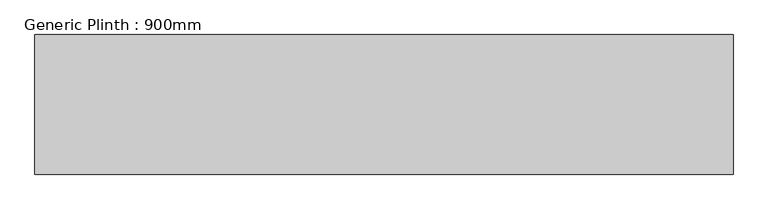
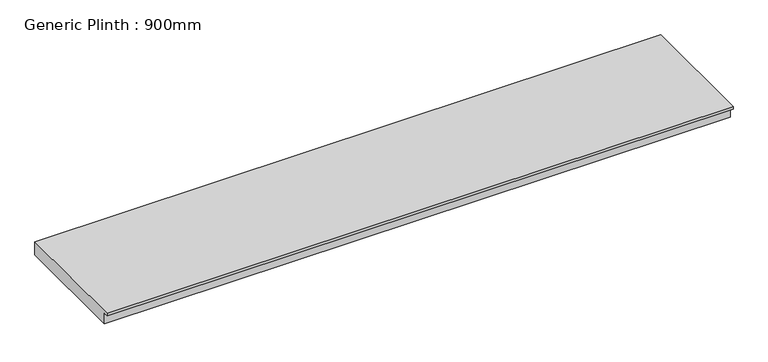
"""IFC4 building model written with IfcOpenShell, lengths in millimetres: furniture geometry, Generic Plinth : 900mm."""

from ifc_helpers import new_model, si_unit, frame, origin, place, context, project, spatial, polyline, outline, extrude, source, transform, mapped, element, save


def generic_plinth_900mm_7c939e74(model_context):
    return source(origin(), model_context, "Body", "SweptSolid", [
        extrude(outline(polyline([(-900.0, 81.0), (-900.0, 100.0), (0.0, 100.0), (0.0, 0.0), (-865.0, 0.0), (-865.0, 81.0), (-900.0, 81.0)])), frame((-2231.2628375, 0.0, 0.0), z_axis=(1.0, 0.0, 0.0), x_axis=(0.0, 1.0, 0.0)), (0.0, 0.0, 1.0), 4500.0010847),
    ])


if __name__ == "__main__":
    model = new_model("IFC4")
    model_context = context("Model", 3, world=origin())
    ifc_project = project(units=[si_unit("LENGTHUNIT", "METRE", prefix="MILLI")], contexts=[model_context])
    site = spatial("IfcSite", under=ifc_project)
    building = spatial("IfcBuilding", under=site)
    placement = place(None, origin())
    generic_plinth_900mm_shape = generic_plinth_900mm_7c939e74(model_context)
    element("IfcFurniture", 1, ObjectType="Generic Plinth : 900mm", at=placement, inside=building, context=model_context, shape_type="MappedRepresentation", body=[
        mapped(generic_plinth_900mm_shape, transform((0.0, 0.0, 0.0), x_axis=(1.0, 0.0, 0.0), y_axis=(0.0, 1.0, 0.0), z_axis=(0.0, 0.0, 1.0))),
    ])
    save(model, "model.ifc")
